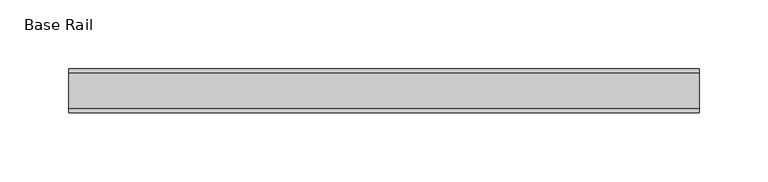
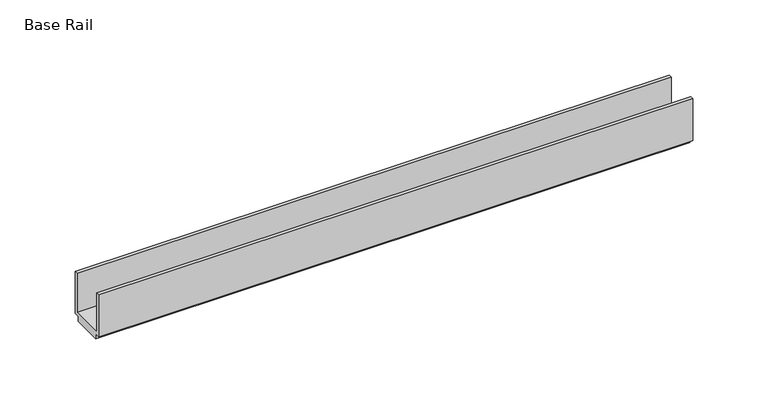
"""IFC4 building model written with IfcOpenShell, lengths in millimetres: furniture geometry, Base Rail."""

import ifcopenshell
import ifcopenshell.guid

model = None  # the IFC model being written
_history = None  # IfcOwnerHistory: only IFC2X3 demands one
_inside = {}  # id of a spatial element -> (the spatial element, [elements in it])
_under = {}  # id of a project, library or spatial element -> (it, [spatial elements below it])
_declared = {}  # id of a project -> (the project, [libraries it declares])
_typed = {}  # id of a type object -> (the type object, [elements of that type])
_made_of = {}  # id of a material, layer set ... -> (it, [elements and type objects made of it])


def new_model(schema):
    """Start an empty IFC model of exactly this schema.

    Asked for "IFC4X3", IfcOpenShell would pick the latest addendum, in which some entities
    have other attributes; the version numbers below select the first issue.
    IFC2X3 requires an IfcOwnerHistory on every rooted entity: one is made here for all.
    """
    global model, _history
    if schema == "IFC4X3":
        model = ifcopenshell.file(schema_version=(4, 3, 0, 0))
    else:
        model = ifcopenshell.file(schema=schema)
    _inside.clear()
    _under.clear()
    _declared.clear()
    _typed.clear()
    _made_of.clear()
    _history = None
    if model.schema == "IFC2X3":
        org = make("IfcOrganization", Name="unknown")
        user = make(
            "IfcPersonAndOrganization",
            ThePerson=make("IfcPerson", FamilyName="unknown"),
            TheOrganization=org,
        )
        app = make(
            "IfcApplication",
            ApplicationDeveloper=org,
            Version="unknown",
            ApplicationFullName="unknown",
            ApplicationIdentifier="unknown",
        )
        _history = make(
            "IfcOwnerHistory",
            OwningUser=user,
            OwningApplication=app,
            ChangeAction="ADDED",
            CreationDate=0,
        )
    return model


def make(cls, **values):
    """One entity of the class cls with the attributes given. An attribute that is None is left unset."""
    return model.create_entity(
        cls, **{name: value for name, value in values.items() if value is not None}
    )


def rooted(cls, **values):
    """An entity with a GlobalId (a new one), such as an element, a storey or a relation."""
    return make(cls, GlobalId=ifcopenshell.guid.new(), OwnerHistory=_history, **values)


def si_unit(unit_type, name, prefix=None):
    """IfcSIUnit, for example si_unit("LENGTHUNIT", "METRE", prefix="MILLI")."""
    return make("IfcSIUnit", UnitType=unit_type, Prefix=prefix, Name=name)


def assignment(units):
    """IfcUnitAssignment: the units of a project."""
    return None if units is None else make("IfcUnitAssignment", Units=units)


def point(xyz):
    """IfcCartesianPoint."""
    return None if xyz is None else make("IfcCartesianPoint", Coordinates=xyz)


def direction(xyz):
    """IfcDirection."""
    return None if xyz is None else make("IfcDirection", DirectionRatios=xyz)


def frame(location, z_axis=None, x_axis=None):
    """IfcAxis2Placement3D, a coordinate frame: its origin and axes. An axis left out is left unset."""
    return make(
        "IfcAxis2Placement3D",
        Location=point(location),
        Axis=direction(z_axis),
        RefDirection=direction(x_axis),
    )


def origin():
    """The frame at (0, 0, 0) with its axes left unset."""
    return frame((0.0, 0.0, 0.0))


def place(relative_to, where):
    """IfcLocalPlacement: puts the frame where relative to a parent placement (None: the world)."""
    return make(
        "IfcLocalPlacement", PlacementRelTo=relative_to, RelativePlacement=where
    )


def context(
    kind, dimensions, precision=None, world=None, true_north=None, identifier=None
):
    """IfcGeometricRepresentationContext, for example the 3D "Model" context."""
    return make(
        "IfcGeometricRepresentationContext",
        ContextIdentifier=identifier,
        ContextType=kind,
        CoordinateSpaceDimension=dimensions,
        Precision=precision,
        WorldCoordinateSystem=world,
        TrueNorth=true_north,
    )


def project(units=None, contexts=None):
    """IfcProject with its units and contexts."""
    return rooted(
        "IfcProject",
        Name="project",
        RepresentationContexts=contexts,
        UnitsInContext=assignment(units),
    )


def spatial(cls, under=None, at=None, **own):
    """A site, building, storey or space (cls), placed at a placement, below another one or the project."""
    s = rooted(cls, ObjectPlacement=at, **own)
    if under is not None:
        _under.setdefault(under.id(), (under, []))[1].append(s)
    return s


def polyline(points):
    """IfcPolyline through the points."""
    return make("IfcPolyline", Points=[point(p) for p in points])


def outline(outer, holes=None, kind="AREA"):
    """IfcArbitraryClosedProfileDef: a profile drawn as a closed curve; with holes, ...WithVoids."""
    if holes is None:
        return make("IfcArbitraryClosedProfileDef", ProfileType=kind, OuterCurve=outer)
    return make(
        "IfcArbitraryProfileDefWithVoids",
        ProfileType=kind,
        OuterCurve=outer,
        InnerCurves=holes,
    )


def extrude(swept, where, along, depth):
    """IfcExtrudedAreaSolid: the profile swept, set in the frame where, extruded along a direction by depth."""
    return make(
        "IfcExtrudedAreaSolid",
        SweptArea=swept,
        Position=where,
        ExtrudedDirection=direction(along),
        Depth=depth,
    )


def shape(context_of_items, identifier, shape_type, items):
    """IfcShapeRepresentation: the items that make up one representation, for example the "Body"."""
    return make(
        "IfcShapeRepresentation",
        ContextOfItems=context_of_items,
        RepresentationIdentifier=identifier,
        RepresentationType=shape_type,
        Items=items,
    )


def source(mapping_origin, context_of_items, identifier, shape_type, items):
    """IfcRepresentationMap: a shape defined once, which mapped items show again and again."""
    return make(
        "IfcRepresentationMap",
        MappingOrigin=mapping_origin,
        MappedRepresentation=shape(context_of_items, identifier, shape_type, items),
    )


def transform(
    local_origin,
    x_axis=None,
    y_axis=None,
    z_axis=None,
    scale=None,
    scale2=None,
    scale3=None,
    uniform=True,
):
    """IfcCartesianTransformationOperator3D, or its non-uniform kind. x_axis, y_axis, z_axis: its Axis1, 2, 3."""
    if uniform:
        return make(
            "IfcCartesianTransformationOperator3D",
            Axis1=direction(x_axis),
            Axis2=direction(y_axis),
            LocalOrigin=point(local_origin),
            Scale=scale,
            Axis3=direction(z_axis),
        )
    return make(
        "IfcCartesianTransformationOperator3DnonUniform",
        Axis1=direction(x_axis),
        Axis2=direction(y_axis),
        LocalOrigin=point(local_origin),
        Scale=scale,
        Axis3=direction(z_axis),
        Scale2=scale2,
        Scale3=scale3,
    )


def mapped(mapping_source, mapping_target):
    """IfcMappedItem: shows the shape of a source again, moved by a transform."""
    return make(
        "IfcMappedItem", MappingSource=mapping_source, MappingTarget=mapping_target
    )


def made_of(thing, what):
    """Note that an element or type object is made of a material, layer set ...; save() writes the relation."""
    if what is not None:
        _made_of.setdefault(what.id(), (what, []))[1].append(thing)
    return thing


def element(
    cls,
    number,
    at=None,
    inside=None,
    cuts=None,
    type_object=None,
    material=None,
    context=None,
    identifier="Body",
    shape_type=None,
    held_by="IfcProductDefinitionShape",
    body=None,
    shapes=None,
    **own,
):
    """One element of the class cls, such as IfcWall. Its Tag is "e" and its number.

    at: its placement. inside: the storey or other place that contains it. cuts: it is an
    opening in that element (IfcRelVoidsElement). A single representation is given by context,
    identifier, shape_type and body (its items); several are given by shapes. held_by: the class
    of the entity that holds the representations. save() writes the other relations.
    """
    e = rooted(cls, Tag="e%d" % number, ObjectPlacement=at, **own)
    if body is not None:
        shapes = [shape(context, identifier, shape_type, body)]
    if shapes is not None:
        e.Representation = make(held_by, Representations=shapes)
    if inside is not None:
        _inside.setdefault(inside.id(), (inside, []))[1].append(e)
    if cuts is not None:
        rooted(
            "IfcRelVoidsElement", RelatingBuildingElement=cuts, RelatedOpeningElement=e
        )
    if type_object is not None:
        _typed.setdefault(type_object.id(), (type_object, []))[1].append(e)
    return made_of(e, material)


def aggregate(whole, parts):
    """IfcRelAggregates: a whole, such as a stair, and the parts it consists of."""
    return rooted("IfcRelAggregates", RelatingObject=whole, RelatedObjects=parts)


def save(model, path):
    """Write the relations noted so far, then the file.

    IfcRelAggregates (storeys below a building ...), IfcRelContainedInSpatialStructure (elements
    in a storey), IfcRelDefinesByType, IfcRelAssociatesMaterial and IfcRelDeclares: one each for
    every whole, place, type object, material and project.
    """
    for whole, parts in _under.values():
        aggregate(whole, parts)
    for where, things in _inside.values():
        rooted(
            "IfcRelContainedInSpatialStructure",
            RelatedElements=things,
            RelatingStructure=where,
        )
    for kind, things in _typed.values():
        rooted("IfcRelDefinesByType", RelatedObjects=things, RelatingType=kind)
    for what, things in _made_of.values():
        rooted("IfcRelAssociatesMaterial", RelatedObjects=things, RelatingMaterial=what)
    for by, libraries in _declared.values():
        rooted("IfcRelDeclares", RelatingContext=by, RelatedDefinitions=libraries)
    model.write(path)


def base_rail_460839be(model_context):
    return source(origin(), model_context, "Body", "SweptSolid", [
        extrude(outline(polyline([(-0.373195, 4.0000001), (-0.373195, 38.1), (2.4268037, 38.1), (2.4268037, 6.6000002), (28.5768064, 6.6000002), (28.5768064, 38.1), (31.376805, 38.1), (31.376805, 4.0000001), (27.3768063, 4.0000001), (27.3768063, 0.0), (3.6268038, 0.0), (3.6268038, 4.0000001), (-0.373195, 4.0000001)])), frame((-198.6228469, 0.0, 0.0), z_axis=(1.0, 0.0, 0.0), x_axis=(0.0, 1.0, 0.0)), (0.0, 0.0, 1.0), 457.2),
    ])


if __name__ == "__main__":
    model = new_model("IFC4")
    model_context = context("Model", 3, world=origin())
    ifc_project = project(units=[si_unit("LENGTHUNIT", "METRE", prefix="MILLI")], contexts=[model_context])
    site = spatial("IfcSite", under=ifc_project)
    building = spatial("IfcBuilding", under=site)
    placement = place(None, origin())
    base_rail_shape = base_rail_460839be(model_context)
    element("IfcFurniture", 1, ObjectType="Base Rail", at=placement, inside=building, context=model_context, shape_type="MappedRepresentation", body=[
        mapped(base_rail_shape, transform((0.0, 0.0, 0.0), x_axis=(1.0, 0.0, 0.0), y_axis=(0.0, 1.0, 0.0), z_axis=(0.0, 0.0, 1.0))),
    ])
    save(model, "model.ifc")
